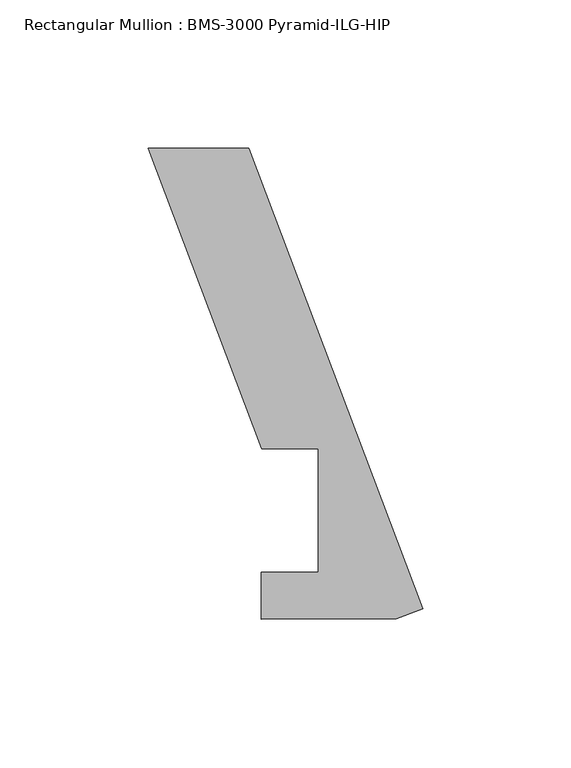
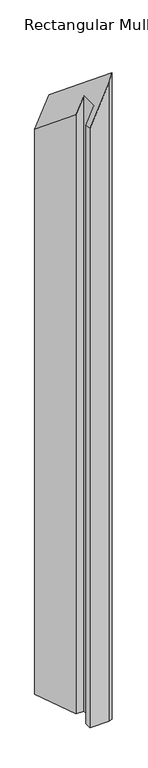
"""IFC4 building model written with IfcOpenShell, lengths in millimetres: member geometry, Rectangular Mullion : BMS-3000 Pyramid-ILG-HIP."""

from ifc_helpers import new_model, si_unit, origin, place, context, project, spatial, faceted_brep, source, transform, mapped, element, save


def rectangular_mullion_bms_3000_pyramid_ilg_hip_3c32ddc2(model_context):
    return source(origin(), model_context, "Body", "Brep", [
        faceted_brep([(-92.7277404, 155.5739504, -202.9718492), (-58.7866398, 155.5739504, -128.6781381), (-58.7866398, 155.5739504, -1612.8499992), (-92.7277404, 155.5739504, -1612.8499992), (-54.3366963, 53.975, -118.937652), (-54.3366963, 53.975, -1612.8499992), (-35.2866963, 53.975, -77.2390868), (-35.2866963, 53.975, -1612.8499992), (-35.2866963, 12.3790627, -77.2390868), (-35.2866963, 12.3790627, -1612.8499992), (-54.4267253, 12.2855261, -119.1347167), (-54.4267253, 12.2855261, -1612.8499992), (-54.4267253, -3.5150841, -119.1347167), (-54.4267253, -3.5150841, -1612.8499992), (-8.9101044, -3.3672255, -19.5033369), (-8.9101044, -3.3672255, -1612.8499992), (0.0, -0.0003776, 0.0), (0.0, -0.0003776, -1612.8499992)], [[[0, 1, 2, 3]], [[4, 0, 3, 5]], [[6, 4, 5, 7]], [[8, 6, 7, 9]], [[10, 8, 9, 11]], [[12, 10, 11, 13]], [[14, 12, 13, 15]], [[16, 14, 15, 17]], [[1, 16, 17, 2]], [[1, 0, 4, 6, 8, 10, 12, 14, 16]], [[2, 17, 15, 13, 11, 9, 7, 5, 3]]]),
    ])


if __name__ == "__main__":
    model = new_model("IFC4")
    model_context = context("Model", 3, world=origin())
    ifc_project = project(units=[si_unit("LENGTHUNIT", "METRE", prefix="MILLI")], contexts=[model_context])
    site = spatial("IfcSite", under=ifc_project)
    building = spatial("IfcBuilding", under=site)
    placement = place(None, origin())
    rectangular_mullion_bms_3000_pyramid_ilg_hip_shape = rectangular_mullion_bms_3000_pyramid_ilg_hip_3c32ddc2(model_context)
    element("IfcMember", 1, ObjectType="Rectangular Mullion : BMS-3000 Pyramid-ILG-HIP", at=placement, inside=building, context=model_context, shape_type="MappedRepresentation", body=[
        mapped(rectangular_mullion_bms_3000_pyramid_ilg_hip_shape, transform((0.0, 0.0, 0.0), x_axis=(1.0, 0.0, 0.0), y_axis=(0.0, 1.0, 0.0), z_axis=(0.0, 0.0, 1.0))),
    ])
    save(model, "model.ifc")
